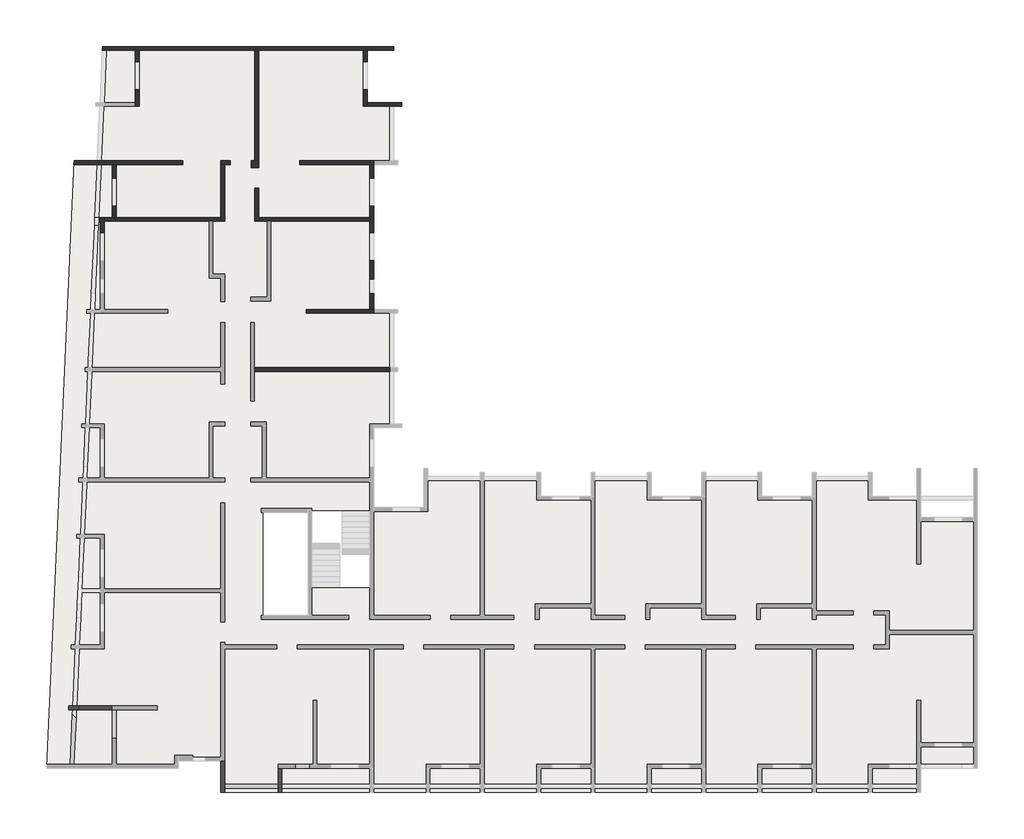
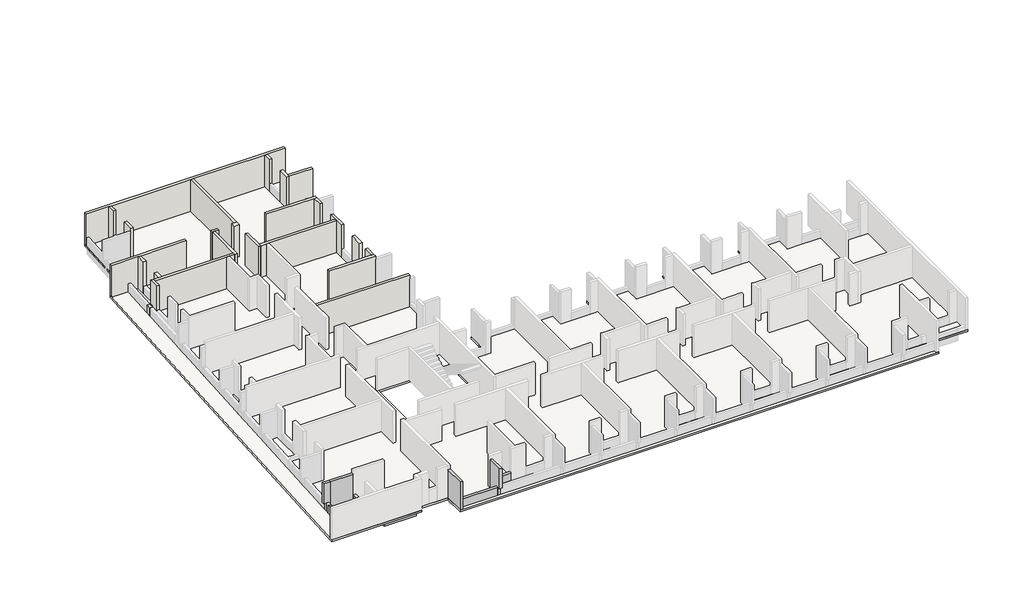
# One storey, part 3 of 5: 26 walls, 10 beams, 1 slab.
"""IFC4 building model written with IfcOpenShell, lengths in millimetres."""

from ifc_helpers import new_model, si_unit, frame, origin, place, context, project, spatial, polyline, outline, extrude, faceted_brep, element, save

model = new_model("IFC4")

# Units and contexts
model_context = context("Model", 3, world=origin())
ifc_project = project(units=[si_unit("LENGTHUNIT", "METRE", prefix="MILLI")], contexts=[model_context])

# Site, building, storey
site = spatial("IfcSite", under=ifc_project)
building = spatial("IfcBuilding", under=site)
storey = spatial("IfcBuildingStorey", under=building, Elevation=4700.0)

# Beams
placement = place(None, origin())
element("IfcBeam", 1, ObjectType="V. 20/60", at=placement, inside=storey, context=model_context, shape_type="SweptSolid", body=[
    extrude(outline(polyline([(-39315.6912908, -18849.1283129), (-39315.6912908, -19049.1283129), (-41735.6912908, -19049.1283129), (-41735.6912908, -18849.1283129), (-39315.6912908, -18849.1283129)])), frame((0.0, 0.0, 4100.0), z_axis=(0.0, 0.0, 1.0), x_axis=(1.0, 0.0, 0.0)), (0.0, 0.0, 1.0), 450.0),
])
element("IfcBeam", 2, ObjectType="V. 20/60", at=placement, inside=storey, context=model_context, shape_type="SweptSolid", body=[
    extrude(outline(polyline([(-44278.6442698, -16920.2688403), (-44136.3632356, -16779.7124198), (-42772.9228023, -18159.7958189), (-42915.2038365, -18300.3522394), (-44278.6442698, -16920.2688403)])), frame((0.0, 0.0, 4100.0), z_axis=(0.0, 0.0, 1.0), x_axis=(1.0, 0.0, 0.0)), (0.0, 0.0, 1.0), 450.0),
])
element("IfcBeam", 3, ObjectType="VI. 20/238", at=placement, inside=storey, context=model_context, shape_type="Brep", body=[
    faceted_brep([(-33785.6912908, -20669.0672499, 6930.0), (-33985.6912908, -20669.0672499, 6930.0), (-33985.6912908, -20669.0672499, 5350.0), (-33785.6912908, -20669.0672499, 5350.0), (-33985.6912908, -19419.0672499, 6930.0), (-33785.6912908, -19419.0672499, 6930.0), (-33785.6912908, -19419.0672499, 4700.0), (-33985.6912908, -19419.0672499, 4700.0), (-33985.6912908, -20249.0672499, 4700.0), (-33985.6912908, -20449.0672499, 4700.0), (-33985.6912908, -20449.0672499, 5350.0), (-33785.6912908, -20449.0672499, 5350.0), (-33785.6912908, -20449.0672499, 4700.0), (-33785.6912908, -20249.0672499, 4700.0)], [[[0, 1, 2, 3]], [[4, 5, 6, 7]], [[1, 4, 7, 8, 9, 10, 2]], [[5, 0, 3, 11, 12, 13, 6]], [[1, 0, 5, 4]], [[7, 6, 13, 12, 9, 8]], [[11, 10, 9, 12]], [[10, 11, 3, 2]]]),
])
element("IfcBeam", 4, ObjectType="VI. 20/238", at=placement, inside=storey, context=model_context, shape_type="Brep", body=[
    faceted_brep([(-36735.6912908, -20669.0672499, 6930.0), (-36935.6912908, -20669.0672499, 6930.0), (-36935.6912908, -20669.0672499, 4700.0), (-36735.6912908, -20669.0672499, 4700.0), (-36935.6912908, -19049.0672499, 6930.0), (-36735.6912908, -19049.0672499, 6930.0), (-36735.6912908, -19049.0672499, 4700.0), (-36935.6912908, -19049.0672499, 4700.0), (-36735.6912908, -20449.0672499, 4700.0), (-36735.6912908, -20249.0672499, 4700.0)], [[[0, 1, 2, 3]], [[4, 5, 6, 7]], [[1, 4, 7, 2]], [[5, 0, 3, 8, 9, 6]], [[1, 0, 5, 4]], [[3, 2, 7, 6, 9, 8]]]),
])
element("IfcBeam", 5, ObjectType="VI. 20/238", at=placement, inside=storey, context=model_context, shape_type="Brep", body=[
    faceted_brep([(-44760.6912908, -16419.0891641, 6930.0), (-44760.6912908, -16219.0891641, 6930.0), (-44760.6912908, -16219.0891641, 5350.0), (-44760.6912908, -16419.0891641, 5350.0), (-44568.8868146, -16419.0891641, 5350.0), (-44568.8868146, -16419.0891641, 4700.0), (-44562.0830718, -16419.0891641, 4700.0), (-44562.0830718, -16419.0891641, 5350.0), (-44361.8773801, -16419.0891641, 5350.0), (-44361.8773801, -16419.0891641, 4700.0), (-44261.7745342, -16419.0891641, 4700.0), (-44261.7745342, -16419.0891641, 6930.0), (-44252.7015518, -16219.0891641, 6930.0), (-44252.7015518, -16219.0891641, 4700.0), (-44352.8043976, -16219.0891641, 4700.0), (-44352.8043976, -16219.0891641, 5350.0), (-44553.0100894, -16219.0891641, 5350.0), (-44553.0100894, -16219.0891641, 4700.0), (-44568.8868146, -16219.0891641, 4700.0), (-44568.8868146, -16219.0891641, 5350.0)], [[[0, 1, 2, 3]], [[0, 3, 4, 5, 6, 7, 8, 9, 10, 11]], [[2, 1, 12, 13, 14, 15, 16, 17, 18, 19]], [[1, 0, 11, 12]], [[13, 10, 9, 14]], [[16, 7, 6, 17]], [[8, 15, 14, 9]], [[7, 16, 15, 8]], [[5, 18, 17, 6]], [[4, 19, 18, 5]], [[19, 4, 3, 2]], [[12, 11, 10, 13]]]),
])
element("IfcBeam", 6, ObjectType="VI. 20/238", at=placement, inside=storey, context=model_context, shape_type="SweptSolid", body=[
    extrude(outline(polyline([(-42525.6912908, -16219.0891641), (-42525.6912908, -16419.0891641), (-44261.7745342, -16419.0891641), (-44252.7015518, -16219.0891641), (-42525.6912908, -16219.0891641)])), frame((0.0, 0.0, 4700.0), z_axis=(0.0, 0.0, 1.0), x_axis=(1.0, 0.0, 0.0)), (0.0, 0.0, 1.0), 2230.0),
])
element("IfcBeam", 7, ObjectType="VI. 20/75", at=placement, inside=storey, context=model_context, shape_type="Brep", body=[
    faceted_brep([(-42325.6912908, -17889.0672499, 5300.0), (-42525.6912908, -17889.0672499, 5300.0), (-42525.6912908, -17889.0672499, 4700.0), (-42325.6912908, -17889.0672499, 4700.0), (-42325.6912908, -16419.0672499, 4700.0), (-42325.6912908, -16419.0672499, 5300.0), (-42525.6912908, -16419.0672499, 5300.0), (-42525.6912908, -16419.0672499, 4700.0), (-42525.6912908, -16469.0672499, 4700.0)], [[[0, 1, 2, 3]], [[0, 3, 4, 5]], [[2, 1, 6, 7, 8]], [[1, 0, 5, 6]], [[3, 2, 8, 7, 4]], [[5, 4, 7, 6]]]),
])
element("IfcBeam", 8, ObjectType="VI. 20/75", at=placement, inside=storey, context=model_context, shape_type="SweptSolid", body=[
    extrude(outline(polyline([(-32365.6912908, -19219.0672499), (-32365.6912908, -19419.0672499), (-33105.6912908, -19419.0672499), (-33105.6912908, -19219.0672499), (-32365.6912908, -19219.0672499)])), frame((0.0, 0.0, 4700.0), z_axis=(0.0, 0.0, 1.0), x_axis=(1.0, 0.0, 0.0)), (0.0, 0.0, 1.0), 600.0),
])
element("IfcBeam", 9, ObjectType="VI. 20/80", at=placement, inside=storey, context=model_context, shape_type="SweptSolid", body=[
    extrude(outline(polyline([(-33985.6912908, -20249.0672499), (-33985.6912908, -20449.0672499), (-36735.6912908, -20449.0672499), (-36735.6912908, -20249.0672499), (-33985.6912908, -20249.0672499)])), frame((0.0, 0.0, 4700.0), z_axis=(0.0, 0.0, 1.0), x_axis=(1.0, 0.0, 0.0)), (0.0, 0.0, 1.0), 650.0),
])
element("IfcBeam", 10, ObjectType="VI. 20/80", at=placement, inside=storey, context=model_context, shape_type="SweptSolid", body=[
    extrude(outline(polyline([(-44488.8981404, -19219.0672499), (-44689.1038321, -19219.0672499), (-44571.3763566, -16623.9453904), (-44379.9607628, -16817.709635), (-44488.8981404, -19219.0672499)])), frame((0.0, 0.0, 4700.0), z_axis=(0.0, 0.0, 1.0), x_axis=(1.0, 0.0, 0.0)), (0.0, 0.0, 1.0), 650.0),
])

# Slab
element("IfcSlab", 11, ObjectType="LHA15", at=placement, inside=storey, context=model_context, shape_type="Brep", body=[
    faceted_brep([(1994.3087092, -19419.0672499, 4550.0), (1994.3087092, -19419.0672499, 4700.0), (1214.3087092, -19419.0672499, 4700.0), (-725.6912908, -19419.0672499, 4700.0), (-925.6912908, -19419.0672499, 4700.0), (-925.6912908, -19419.0672499, 4550.0), (-725.6912908, -19419.0672499, 4550.0), (1214.3087092, -19419.0672499, 4550.0), (-36935.6912908, -20669.0672499, 4550.0), (-36935.6912908, -20669.0672499, 4700.0), (-36935.6912908, -19049.0672499, 4700.0), (-36935.6912908, -19049.0672499, 4550.0), (-39115.6912908, -19049.0672499, 4700.0), (-39115.6912908, -19049.0672499, 4550.0), (-39115.6912908, -19419.0672499, 4700.0), (-39115.6912908, -19419.0672499, 4550.0), (-45899.4109651, -19419.0672499, 4700.0), (-45899.4109651, -19419.0672499, 4550.0), (-43012.8703227, 17730.9327501, 4550.0), (-43012.8703227, 17730.9327501, 4700.0), (-29395.6912908, 17730.9327501, 4700.0), (-29395.6912908, 17730.9327501, 4550.0), (-29395.6912908, 16950.9327501, 4700.0), (-29395.6912908, 15510.9327501, 4700.0), (-29395.6912908, 14850.8982988, 4700.0), (-29395.6912908, 14850.8982988, 4550.0), (-27635.6912908, 14850.8982988, 4700.0), (-27635.6912908, 14850.8982988, 4550.0), (-28035.6912908, 14650.9327501, 4550.0), (-28035.6912908, 14650.9327501, 4700.0), (-28035.6912908, 11850.9327501, 4700.0), (-28035.6912908, 11850.9327501, 4550.0), (-27835.6912908, 11650.9327501, 4550.0), (-27835.6912908, 11650.9327501, 4700.0), (-29065.6912908, 11650.9327501, 4700.0), (-29065.6912908, 11650.9327501, 4550.0), (-29065.6912908, 10925.9327501, 4700.0), (-29065.6912908, 9535.9327501, 4700.0), (-29065.6912908, 8150.9327501, 4700.0), (-29065.6912908, 6710.9327501, 4700.0), (-29065.6912908, 5760.9327501, 4700.0), (-29065.6912908, 5020.9327501, 4700.0), (-29065.6912908, 4200.9327501, 4700.0), (-29065.6912908, 4200.9327501, 4550.0), (-27835.6912908, 4200.9327501, 4700.0), (-27835.6912908, 4200.9327501, 4550.0), (-28035.6912908, 1000.9327501, 4550.0), (-28035.6912908, 1000.9327501, 4700.0), (-28035.6912908, -1689.5482142, 4700.0), (-28035.6912908, -1689.5482142, 4550.0), (-29065.6912908, -1889.5482142, 4550.0), (-29065.6912908, -1889.5482142, 4700.0), (-29065.6912908, -2469.0672499, 4700.0), (-29065.6912908, -3909.0672499, 4700.0), (-29065.6912908, -6004.0672499, 4700.0), (-29065.6912908, -6004.0672499, 4550.0), (-28115.6912908, -6004.0672499, 4700.0), (-26675.6912908, -6004.0672499, 4700.0), (-26495.6912908, -6004.0672499, 4700.0), (-26495.6912908, -6004.0672499, 4550.0), (-26495.6912908, -3999.0672499, 4700.0), (-26495.6912908, -3999.0672499, 4550.0), (-26295.6912908, -4399.0672499, 4550.0), (-26295.6912908, -4399.0672499, 4700.0), (-23575.6912908, -4399.0672499, 4700.0), (-23575.6912908, -4399.0672499, 4550.0), (-20485.6912908, -4199.0672499, 4550.0), (-20485.6912908, -4199.0672499, 4700.0), (-20485.6912908, -5419.0672499, 4700.0), (-20485.6912908, -5419.0672499, 4550.0), (-19905.6912908, -5419.0672499, 4700.0), (-18465.6912908, -5419.0672499, 4700.0), (-17885.6912908, -5419.0672499, 4700.0), (-17885.6912908, -5419.0672499, 4550.0), (-17885.6912908, -4199.0672499, 4700.0), (-17885.6912908, -4199.0672499, 4550.0), (-17685.6912908, -4399.0672499, 4550.0), (-17685.6912908, -4399.0672499, 4700.0), (-14995.6912908, -4399.0672499, 4700.0), (-14995.6912908, -4399.0672499, 4550.0), (-14795.6912908, -4199.0672499, 4550.0), (-14795.6912908, -4199.0672499, 4700.0), (-14795.6912908, -5419.0672499, 4700.0), (-14795.6912908, -5419.0672499, 4550.0), (-14215.6912908, -5419.0672499, 4700.0), (-12775.6912908, -5419.0672499, 4700.0), (-12195.6912908, -5419.0672499, 4700.0), (-12195.6912908, -5419.0672499, 4550.0), (-12195.6912908, -4199.0672499, 4700.0), (-12195.6912908, -4199.0672499, 4550.0), (-11995.6912908, -4399.0672499, 4550.0), (-11995.6912908, -4399.0672499, 4700.0), (-9305.6912908, -4399.0672499, 4700.0), (-9305.6912908, -4399.0672499, 4550.0), (-9105.6912908, -4199.0672499, 4550.0), (-9105.6912908, -4199.0672499, 4700.0), (-9105.6912908, -5419.0672499, 4700.0), (-9105.6912908, -5419.0672499, 4550.0), (-8525.6912908, -5419.0672499, 4700.0), (-7085.6912908, -5419.0672499, 4700.0), (-6505.6912908, -5419.0672499, 4700.0), (-6505.6912908, -5419.0672499, 4550.0), (-6505.6912908, -4199.0672499, 4700.0), (-6505.6912908, -4199.0672499, 4550.0), (-6305.6912908, -4399.0672499, 4550.0), (-6305.6912908, -4399.0672499, 4700.0), (-3615.6912908, -4399.0672499, 4700.0), (-3615.6912908, -4399.0672499, 4550.0), (-3415.6912908, -4199.0672499, 4550.0), (-3415.6912908, -4199.0672499, 4700.0), (-3415.6912908, -5419.0672499, 4700.0), (-3415.6912908, -5419.0672499, 4550.0), (-2545.6912908, -5419.0672499, 4700.0), (-1125.6912908, -5419.0672499, 4700.0), (-925.6912908, -5419.0672499, 4700.0), (-925.6912908, -5419.0672499, 4550.0), (-925.6912908, -6519.0672499, 4700.0), (-925.6912908, -6519.0672499, 4550.0), (-925.6912908, -5619.0672499, 4550.0), (-200.6912908, -6519.0672499, 4700.0), (1189.3087092, -6519.0672499, 4700.0), (1994.3087092, -6519.0672499, 4700.0), (1994.3087092, -6519.0672499, 4550.0), (-32245.6912908, -10104.0672499, 4550.0), (-32245.6912908, -10104.0672499, 4700.0), (-29265.6912908, -10104.0672499, 4700.0), (-29265.6912908, -10104.0672499, 4550.0), (-29265.6912908, -6184.0672499, 4700.0), (-29265.6912908, -6184.0672499, 4550.0), (-32245.6912908, -6184.0672499, 4700.0), (-32245.6912908, -6184.0672499, 4550.0), (-32245.6912908, -6244.0672499, 4700.0), (-32245.6912908, -6244.0672499, 4550.0), (-34745.6912908, -6244.0672499, 4700.0), (-34745.6912908, -6244.0672499, 4550.0), (-34745.6912908, -11559.0672499, 4700.0), (-34745.6912908, -11559.0672499, 4550.0), (-32245.6912908, -11559.0672499, 4700.0), (-32245.6912908, -11559.0672499, 4550.0), (-27635.6912908, -1889.5482142, 4550.0), (-27635.6912908, -1889.5482142, 4700.0), (-3615.6912908, -4199.0672499, 4700.0), (-6305.6912908, -4199.0672499, 4700.0), (-9305.6912908, -4199.0672499, 4700.0), (-11995.6912908, -4199.0672499, 4700.0), (-14995.6912908, -4199.0672499, 4700.0), (-17685.6912908, -4199.0672499, 4700.0), (-20685.6912908, -4199.0672499, 4700.0), (-20685.6912908, -4399.0672499, 4700.0), (-23375.6912908, -4399.0672499, 4700.0), (-23375.6912908, -4199.0672499, 4700.0), (-23575.6912908, -4199.0672499, 4700.0), (-26295.6912908, -3999.0672499, 4700.0), (-27635.6912908, -1689.5482142, 4700.0), (-27835.6912908, 1000.9327501, 4700.0), (-27835.6912908, 1200.9327501, 4700.0), (-28035.6912908, 1200.9327501, 4700.0), (-28035.6912908, 4000.9327501, 4700.0), (-27835.6912908, 4000.9327501, 4700.0), (-27835.6912908, 11850.9327501, 4700.0), (-27635.6912908, 14650.9327501, 4700.0), (-43021.9433052, 17530.9327501, 4700.0), (-43143.5212701, 14850.9327501, 4700.0), (-43152.5942526, 14650.9327501, 4700.0), (-43279.616007, 11850.9327501, 4700.0), (-44480.8501575, 11850.9327501, 4700.0), (-36735.6912908, -20669.0672499, 4700.0), (-925.6912908, -20669.0672499, 4700.0), (-925.6912908, -20669.0672499, 4550.0), (-44480.8501575, 11850.9327501, 4550.0), (-43279.616007, 11850.9327501, 4550.0), (-43277.3477614, 11900.9327501, 4550.0), (-43152.5942526, 14650.9327501, 4550.0), (-43143.5212701, 14850.9327501, 4550.0), (-43026.4797964, 17430.9327501, 4550.0), (-27635.6912908, 14650.9327501, 4550.0), (-27835.6912908, 11850.9327501, 4550.0), (-27835.6912908, 4000.9327501, 4550.0), (-28035.6912908, 4000.9327501, 4550.0), (-28035.6912908, 1200.9327501, 4550.0), (-27835.6912908, 1200.9327501, 4550.0), (-27835.6912908, 1000.9327501, 4550.0), (-27635.6912908, -1689.5482142, 4550.0), (-26295.6912908, -3999.0672499, 4550.0), (-23575.6912908, -4199.0672499, 4550.0), (-23375.6912908, -4199.0672499, 4550.0), (-23375.6912908, -4399.0672499, 4550.0), (-20685.6912908, -4399.0672499, 4550.0), (-20685.6912908, -4199.0672499, 4550.0), (-17685.6912908, -4199.0672499, 4550.0), (-14995.6912908, -4199.0672499, 4550.0), (-11995.6912908, -4199.0672499, 4550.0), (-9305.6912908, -4199.0672499, 4550.0), (-6305.6912908, -4199.0672499, 4550.0), (-3615.6912908, -4199.0672499, 4550.0)], [[[0, 1, 2, 3, 4, 5, 6, 7]], [[8, 9, 10, 11]], [[11, 10, 12, 13]], [[13, 12, 14, 15]], [[15, 14, 16, 17]], [[18, 19, 20, 21]], [[21, 20, 22, 23, 24, 25]], [[25, 24, 26, 27]], [[28, 29, 30, 31]], [[32, 33, 34, 35]], [[35, 34, 36, 37, 38, 39, 40, 41, 42, 43]], [[43, 42, 44, 45]], [[46, 47, 48, 49]], [[50, 51, 52, 53, 54, 55]], [[55, 54, 56, 57, 58, 59]], [[59, 58, 60, 61]], [[62, 63, 64, 65]], [[66, 67, 68, 69]], [[69, 68, 70, 71, 72, 73]], [[73, 72, 74, 75]], [[76, 77, 78, 79]], [[80, 81, 82, 83]], [[83, 82, 84, 85, 86, 87]], [[87, 86, 88, 89]], [[90, 91, 92, 93]], [[94, 95, 96, 97]], [[97, 96, 98, 99, 100, 101]], [[101, 100, 102, 103]], [[104, 105, 106, 107]], [[108, 109, 110, 111]], [[111, 110, 112, 113, 114, 115]], [[115, 114, 116, 117, 118]], [[117, 116, 119, 120, 121, 122]], [[122, 121, 1, 0]], [[123, 124, 125, 126]], [[126, 125, 127, 128]], [[128, 127, 129, 130]], [[130, 129, 131, 132]], [[132, 131, 133, 134]], [[134, 133, 135, 136]], [[136, 135, 137, 138]], [[138, 137, 124, 123]], [[139, 140, 51, 50]], [[121, 120, 119, 116, 114, 113, 112, 110, 109, 141, 106, 105, 142, 102, 100, 99, 98, 96, 95, 143, 92, 91, 144, 88, 86, 85, 84, 82, 81, 145, 78, 77, 146, 74, 72, 71, 70, 68, 67, 147, 148, 149, 150, 151, 64, 63, 152, 60, 58, 57, 56, 54, 53, 52, 51, 140, 153, 48, 47, 154, 155, 156, 157, 158, 44, 42, 41, 40, 39, 38, 37, 36, 34, 33, 159, 30, 29, 160, 26, 24, 23, 22, 20, 19, 161, 162, 163, 164, 165, 16, 14, 12, 10, 9, 166, 167, 4, 3, 2, 1], [135, 133, 131, 129, 127, 125, 124, 137]], [[122, 0, 7, 6, 5, 168, 8, 11, 13, 15, 17, 169, 170, 171, 172, 173, 174, 18, 21, 25, 27, 175, 28, 31, 176, 32, 35, 43, 45, 177, 178, 179, 180, 181, 46, 49, 182, 139, 50, 55, 59, 61, 183, 62, 65, 184, 185, 186, 187, 188, 66, 69, 73, 75, 189, 76, 79, 190, 80, 83, 87, 89, 191, 90, 93, 192, 94, 97, 101, 103, 193, 104, 107, 194, 108, 111, 115, 118, 117], [136, 138, 123, 126, 128, 130, 132, 134]], [[17, 16, 165, 169]], [[169, 165, 164, 170]], [[170, 164, 163, 162, 161, 19, 18, 174, 173, 172, 171]], [[5, 4, 167, 168]], [[168, 167, 166, 9, 8]], [[27, 26, 160, 175]], [[175, 160, 29, 28]], [[31, 30, 159, 176]], [[176, 159, 33, 32]], [[45, 44, 158, 177]], [[177, 158, 157, 178]], [[178, 157, 156, 179]], [[179, 156, 155, 180]], [[180, 155, 154, 181]], [[181, 154, 47, 46]], [[49, 48, 153, 182]], [[182, 153, 140, 139]], [[61, 60, 152, 183]], [[183, 152, 63, 62]], [[65, 64, 151, 184]], [[184, 151, 150, 185]], [[185, 150, 149, 186]], [[186, 149, 148, 187]], [[187, 148, 147, 188]], [[188, 147, 67, 66]], [[75, 74, 146, 189]], [[189, 146, 77, 76]], [[79, 78, 145, 190]], [[190, 145, 81, 80]], [[89, 88, 144, 191]], [[191, 144, 91, 90]], [[93, 92, 143, 192]], [[192, 143, 95, 94]], [[103, 102, 142, 193]], [[193, 142, 105, 104]], [[107, 106, 141, 194]], [[194, 141, 109, 108]]]),
])

# Walls
element("IfcWall", 12, ObjectType="MHA20", at=placement, inside=storey, context=model_context, shape_type="Brep", body=[
    faceted_brep([(-29395.6912908, 16950.9327501, 4700.0), (-29395.6912908, 17530.9327501, 4700.0), (-29395.6912908, 17530.9327501, 7230.0), (-29395.6912908, 16950.9327501, 7230.0), (-29395.6912908, 16950.9327501, 5300.0), (-29595.6912908, 16950.9327501, 4700.0), (-29595.6912908, 16950.9327501, 5300.0), (-29595.6912908, 16950.9327501, 7230.0), (-29595.6912908, 17530.9327501, 7230.0), (-29595.6912908, 17530.9327501, 4700.0)], [[[0, 1, 2, 3, 4]], [[5, 6, 7, 8, 9]], [[1, 0, 5, 9]], [[3, 2, 8, 7]], [[0, 4, 3, 7, 6, 5]], [[2, 1, 9, 8]]]),
])
element("IfcWall", 13, ObjectType="MHA20", at=placement, inside=storey, context=model_context, shape_type="Brep", body=[
    faceted_brep([(-35205.6912908, 1000.9327501, 4700.0), (-28235.6912908, 1000.9327501, 4700.0), (-28235.6912908, 1000.9327501, 6930.0), (-28235.6912908, 1000.9327501, 7230.0), (-35205.6912908, 1000.9327501, 7230.0), (-35205.6912908, 1200.9327501, 4700.0), (-35205.6912908, 1200.9327501, 7230.0), (-28235.6912908, 1200.9327501, 7230.0), (-28235.6912908, 1200.9327501, 6930.0), (-28235.6912908, 1200.9327501, 4700.0)], [[[0, 1, 2, 3, 4]], [[5, 6, 7, 8, 9]], [[1, 0, 5, 9]], [[3, 2, 1, 9, 8, 7]], [[4, 3, 7, 6]], [[0, 4, 6, 5]]]),
])
element("IfcWall", 14, ObjectType="MHA20", at=placement, inside=storey, context=model_context, shape_type="Brep", body=[
    faceted_brep([(-29065.6912908, 4200.9327501, 4700.0), (-29065.6912908, 5020.9327501, 4700.0), (-29065.6912908, 5020.9327501, 5300.0), (-29065.6912908, 5020.9327501, 7230.0), (-29065.6912908, 4200.9327501, 7230.0), (-29265.6912908, 4200.9327501, 4700.0), (-29265.6912908, 4200.9327501, 7230.0), (-29265.6912908, 5020.9327501, 7230.0), (-29265.6912908, 5020.9327501, 5300.0), (-29265.6912908, 5020.9327501, 4700.0)], [[[0, 1, 2, 3, 4]], [[5, 6, 7, 8, 9]], [[1, 0, 5, 9]], [[3, 2, 1, 9, 8, 7]], [[4, 3, 7, 6]], [[0, 4, 6, 5]]]),
])
element("IfcWall", 15, ObjectType="MHA20", at=placement, inside=storey, context=model_context, shape_type="Brep", body=[
    faceted_brep([(-29065.6912908, 5760.9327501, 4700.0), (-29065.6912908, 6710.9327501, 4700.0), (-29065.6912908, 6710.9327501, 5300.0), (-29065.6912908, 6710.9327501, 7230.0), (-29065.6912908, 5760.9327501, 7230.0), (-29065.6912908, 5760.9327501, 5300.0), (-29265.6912908, 5760.9327501, 4700.0), (-29265.6912908, 5760.9327501, 5300.0), (-29265.6912908, 5760.9327501, 7230.0), (-29265.6912908, 6710.9327501, 7230.0), (-29265.6912908, 6710.9327501, 5300.0), (-29265.6912908, 6710.9327501, 4700.0)], [[[0, 1, 2, 3, 4, 5]], [[6, 7, 8, 9, 10, 11]], [[1, 0, 6, 11]], [[3, 2, 1, 11, 10, 9]], [[4, 3, 9, 8]], [[0, 5, 4, 8, 7, 6]]]),
])
element("IfcWall", 16, ObjectType="MHA20", at=placement, inside=storey, context=model_context, shape_type="Brep", body=[
    faceted_brep([(-29065.6912908, 8150.9327501, 4700.0), (-29065.6912908, 9510.9327501, 4700.0), (-29065.6912908, 9510.9327501, 7230.0), (-29065.6912908, 8150.9327501, 7230.0), (-29065.6912908, 8150.9327501, 5300.0), (-29265.6912908, 8150.9327501, 4700.0), (-29265.6912908, 8150.9327501, 5300.0), (-29265.6912908, 8150.9327501, 7230.0), (-29265.6912908, 8730.9327501, 7230.0), (-29265.6912908, 8930.9327501, 7230.0), (-29265.6912908, 9510.9327501, 7230.0), (-29265.6912908, 9510.9327501, 4700.0), (-29265.6912908, 8930.9327501, 4700.0), (-29265.6912908, 8730.9327501, 4700.0)], [[[0, 1, 2, 3, 4]], [[5, 6, 7, 8, 9, 10, 11, 12, 13]], [[1, 0, 5, 13, 12, 11]], [[2, 1, 11, 10]], [[3, 2, 10, 9, 8, 7]], [[0, 4, 3, 7, 6, 5]]]),
])
element("IfcWall", 17, ObjectType="MHA20", at=placement, inside=storey, context=model_context, shape_type="SweptSolid", body=[
    extrude(outline(polyline([(-29065.6912908, 11650.9327501), (-29065.6912908, 10950.9327501), (-29265.6912908, 10950.9327501), (-29265.6912908, 11650.9327501), (-29065.6912908, 11650.9327501)])), frame((0.0, 0.0, 4700.0), z_axis=(0.0, 0.0, 1.0), x_axis=(1.0, 0.0, 0.0)), (0.0, 0.0, 1.0), 2530.0),
])
element("IfcWall", 18, ObjectType="MHA20", at=placement, inside=storey, context=model_context, shape_type="Brep", body=[
    faceted_brep([(-29595.6912908, 15510.9327501, 4700.0), (-29595.6912908, 14650.9327501, 4700.0), (-29595.6912908, 14650.9327501, 7230.0), (-29595.6912908, 15510.9327501, 7230.0), (-29595.6912908, 15510.9327501, 5300.0), (-29395.6912908, 15510.9327501, 4700.0), (-29395.6912908, 15510.9327501, 5300.0), (-29395.6912908, 15510.9327501, 7230.0), (-29395.6912908, 14850.9327501, 7230.0), (-29395.6912908, 14650.9327501, 7230.0), (-29395.6912908, 14650.9327501, 4700.0), (-29395.6912908, 14850.9327501, 4700.0)], [[[0, 1, 2, 3, 4]], [[5, 6, 7, 8, 9, 10, 11]], [[1, 0, 5, 11, 10]], [[3, 2, 9, 8, 7]], [[0, 4, 3, 7, 6, 5]], [[2, 1, 10, 9]]]),
])
element("IfcWall", 19, ObjectType="MHA20", at=placement, inside=storey, context=model_context, shape_type="SweptSolid", body=[
    extrude(outline(polyline([(-35175.6912908, 11850.9327501), (-35175.6912908, 17530.9327501), (-34975.6912908, 17530.9327501), (-34975.6912908, 11850.9327501), (-35175.6912908, 11850.9327501)])), frame((0.0, 0.0, 4700.0), z_axis=(0.0, 0.0, 1.0), x_axis=(1.0, 0.0, 0.0)), (0.0, 0.0, 1.0), 2530.0),
])
element("IfcWall", 20, ObjectType="MHA20", at=placement, inside=storey, context=model_context, shape_type="Brep", body=[
    faceted_brep([(-35175.6912908, 10430.9327501, 4700.0), (-35175.6912908, 8730.9327501, 4700.0), (-35175.6912908, 8730.9327501, 7230.0), (-35175.6912908, 10430.9327501, 7230.0), (-34975.6912908, 10430.9327501, 4700.0), (-34975.6912908, 10430.9327501, 7230.0), (-34975.6912908, 8930.9327501, 7230.0), (-34975.6912908, 8730.9327501, 7230.0), (-34975.6912908, 8730.9327501, 4700.0), (-34975.6912908, 8930.9327501, 4700.0)], [[[0, 1, 2, 3]], [[4, 5, 6, 7, 8, 9]], [[1, 0, 4, 9, 8]], [[3, 2, 7, 6, 5]], [[0, 3, 5, 4]], [[2, 1, 8, 7]]]),
])
element("IfcWall", 21, ObjectType="MHA20", at=placement, inside=storey, context=model_context, shape_type="Brep", body=[
    faceted_brep([(-41135.6912908, 14650.9327501, 4700.0), (-41135.6912908, 15510.9327501, 4700.0), (-41135.6912908, 15510.9327501, 5300.0), (-41135.6912908, 15510.9327501, 7230.0), (-41135.6912908, 14650.9327501, 7230.0), (-41335.6912908, 14650.9327501, 4700.0), (-41335.6912908, 14650.9327501, 6930.0), (-41335.6912908, 14650.9327501, 7230.0), (-41335.6912908, 15510.9327501, 7230.0), (-41335.6912908, 15510.9327501, 5300.0), (-41335.6912908, 15510.9327501, 4700.0), (-41335.6912908, 14850.9327501, 4700.0)], [[[0, 1, 2, 3, 4]], [[5, 6, 7, 8, 9, 10, 11]], [[1, 0, 5, 11, 10]], [[3, 2, 1, 10, 9, 8]], [[4, 3, 8, 7]], [[0, 4, 7, 6, 5]]]),
])
element("IfcWall", 22, ObjectType="MHA20", at=placement, inside=storey, context=model_context, shape_type="Brep", body=[
    faceted_brep([(-41135.6912908, 16950.9327501, 4700.0), (-41135.6912908, 17530.9327501, 4700.0), (-41135.6912908, 17530.9327501, 7230.0), (-41135.6912908, 16950.9327501, 7230.0), (-41135.6912908, 16950.9327501, 5300.0), (-41335.6912908, 16950.9327501, 4700.0), (-41335.6912908, 16950.9327501, 5300.0), (-41335.6912908, 16950.9327501, 7230.0), (-41335.6912908, 17530.9327501, 7230.0), (-41335.6912908, 17530.9327501, 4700.0)], [[[0, 1, 2, 3, 4]], [[5, 6, 7, 8, 9]], [[1, 0, 5, 9]], [[3, 2, 8, 7]], [[0, 4, 3, 7, 6, 5]], [[2, 1, 9, 8]]]),
])
element("IfcWall", 23, ObjectType="MHA20", at=placement, inside=storey, context=model_context, shape_type="Brep", body=[
    faceted_brep([(-36735.6912908, 8730.9327501, 4700.0), (-36735.6912908, 11650.9327501, 4700.0), (-36735.6912908, 11650.9327501, 7230.0), (-36735.6912908, 8730.9327501, 7230.0), (-36935.6912908, 8730.9327501, 4700.0), (-36935.6912908, 8730.9327501, 7230.0), (-36935.6912908, 8930.9327501, 7230.0), (-36935.6912908, 11650.9327501, 7230.0), (-36935.6912908, 11650.9327501, 4700.0), (-36935.6912908, 8930.9327501, 4700.0)], [[[0, 1, 2, 3]], [[4, 5, 6, 7, 8, 9]], [[1, 0, 4, 9, 8]], [[3, 2, 7, 6, 5]], [[0, 3, 5, 4]], [[2, 1, 8, 7]]]),
])
element("IfcWall", 24, ObjectType="MHA20", at=placement, inside=storey, context=model_context, shape_type="Brep", body=[
    faceted_brep([(-36935.6912908, 8930.9327501, 4700.0), (-42325.6912908, 8930.9327501, 4700.0), (-42525.6912908, 8930.9327501, 4700.0), (-42935.6912908, 8930.9327501, 4700.0), (-42935.6912908, 8930.9327501, 5350.0), (-42935.6912908, 8930.9327501, 7230.0), (-42525.6912908, 8930.9327501, 7230.0), (-42325.6912908, 8930.9327501, 7230.0), (-36935.6912908, 8930.9327501, 7230.0), (-36935.6912908, 8730.9327501, 4700.0), (-36935.6912908, 8730.9327501, 7230.0), (-37335.6912908, 8730.9327501, 7230.0), (-37535.6912908, 8730.9327501, 7230.0), (-42935.6912908, 8730.9327501, 7230.0), (-42935.6912908, 8730.9327501, 5350.0), (-42935.6912908, 8730.9327501, 4700.0), (-37535.6912908, 8730.9327501, 4700.0), (-37335.6912908, 8730.9327501, 4700.0)], [[[0, 1, 2, 3, 4, 5, 6, 7, 8]], [[9, 10, 11, 12, 13, 14, 15, 16, 17]], [[3, 2, 1, 0, 9, 17, 16, 15]], [[8, 7, 6, 5, 13, 12, 11, 10]], [[0, 8, 10, 9]], [[5, 4, 3, 15, 14, 13]]]),
])
element("IfcWall", 25, ObjectType="MHA20", at=placement, inside=storey, context=model_context, shape_type="Brep", body=[
    faceted_brep([(-42325.6912908, 8930.9327501, 4700.0), (-42325.6912908, 9510.9327501, 4700.0), (-42325.6912908, 9510.9327501, 5300.0), (-42325.6912908, 9510.9327501, 7230.0), (-42325.6912908, 8930.9327501, 7230.0), (-42525.6912908, 8930.9327501, 4700.0), (-42525.6912908, 8930.9327501, 7230.0), (-42525.6912908, 9510.9327501, 7230.0), (-42525.6912908, 9510.9327501, 5300.0), (-42525.6912908, 9510.9327501, 4700.0)], [[[0, 1, 2, 3, 4]], [[5, 6, 7, 8, 9]], [[1, 0, 5, 9]], [[3, 2, 1, 9, 8, 7]], [[4, 3, 7, 6]], [[0, 4, 6, 5]]]),
])
element("IfcWall", 26, ObjectType="MHA20", at=placement, inside=storey, context=model_context, shape_type="Brep", body=[
    faceted_brep([(-42325.6912908, 10950.9327501, 4700.0), (-42325.6912908, 11650.9327501, 4700.0), (-42325.6912908, 11650.9327501, 7230.0), (-42325.6912908, 10950.9327501, 7230.0), (-42325.6912908, 10950.9327501, 5300.0), (-42525.6912908, 10950.9327501, 4700.0), (-42525.6912908, 10950.9327501, 5300.0), (-42525.6912908, 10950.9327501, 7230.0), (-42525.6912908, 11650.9327501, 7230.0), (-42525.6912908, 11650.9327501, 4700.0)], [[[0, 1, 2, 3, 4]], [[5, 6, 7, 8, 9]], [[1, 0, 5, 9]], [[3, 2, 8, 7]], [[0, 4, 3, 7, 6, 5]], [[2, 1, 9, 8]]]),
])
element("IfcWall", 27, ObjectType="MHA20", at=placement, inside=storey, context=model_context, shape_type="Brep", body=[
    faceted_brep([(-42935.6912908, 8150.9327501, 4700.0), (-42935.6912908, 8730.9327501, 4700.0), (-42935.6912908, 8730.9327501, 5350.0), (-42935.6912908, 8930.9327501, 5350.0), (-42935.6912908, 8930.9327501, 7230.0), (-42935.6912908, 8730.9327501, 7230.0), (-42935.6912908, 8150.9327501, 7230.0), (-42935.6912908, 8150.9327501, 5300.0), (-43135.6912908, 8150.9327501, 4700.0), (-43135.6912908, 8150.9327501, 5300.0), (-43135.6912908, 8150.9327501, 7230.0), (-43135.6912908, 8930.9327501, 7230.0), (-43135.6912908, 8930.9327501, 5350.0), (-43135.6912908, 8730.9327501, 5350.0), (-43135.6912908, 8730.9327501, 4700.0)], [[[0, 1, 2, 3, 4, 5, 6, 7]], [[8, 9, 10, 11, 12, 13, 14]], [[1, 0, 8, 14]], [[6, 5, 4, 11, 10]], [[0, 7, 6, 10, 9, 8]], [[12, 3, 2, 13]], [[2, 1, 14, 13]], [[4, 3, 12, 11]]]),
])
element("IfcWall", 28, ObjectType="MHA20", at=placement, inside=storey, context=model_context, shape_type="Brep", body=[
    faceted_brep([(-38895.6912908, 11850.9327501, 7230.0), (-38895.6912908, 11850.9327501, 4700.0), (-43079.4103153, 11850.9327501, 4700.0), (-43279.616007, 11850.9327501, 4700.0), (-44480.8501575, 11850.9327501, 4700.0), (-44480.8501575, 11850.9327501, 7230.0), (-38895.6912908, 11650.9327501, 4700.0), (-38895.6912908, 11650.9327501, 7230.0), (-42325.6912908, 11650.9327501, 7230.0), (-42525.6912908, 11650.9327501, 7230.0), (-44489.92314, 11650.9327501, 7230.0), (-44489.92314, 11650.9327501, 4700.0), (-43288.6889895, 11650.9327501, 4700.0), (-43088.4832977, 11650.9327501, 4700.0), (-42525.6912908, 11650.9327501, 4700.0), (-42325.6912908, 11650.9327501, 4700.0)], [[[0, 1, 2, 3, 4, 5]], [[6, 7, 8, 9, 10, 11, 12, 13, 14, 15]], [[1, 6, 15, 14, 13, 12, 11, 4, 3, 2]], [[7, 0, 5, 10, 9, 8]], [[1, 0, 7, 6]], [[5, 4, 11, 10]]]),
])
element("IfcWall", 29, ObjectType="MHA20", at=placement, inside=storey, context=model_context, shape_type="Brep", body=[
    faceted_brep([(-36435.6912908, 11850.9327501, 4700.0), (-36935.6912908, 11850.9327501, 4700.0), (-36935.6912908, 11850.9327501, 7230.0), (-36435.6912908, 11850.9327501, 7230.0), (-36435.6912908, 11650.9327501, 4700.0), (-36435.6912908, 11650.9327501, 7230.0), (-36735.6912908, 11650.9327501, 7230.0), (-36935.6912908, 11650.9327501, 7230.0), (-36935.6912908, 11650.9327501, 4700.0), (-36735.6912908, 11650.9327501, 4700.0)], [[[0, 1, 2, 3]], [[4, 5, 6, 7, 8, 9]], [[1, 0, 4, 9, 8]], [[3, 2, 7, 6, 5]], [[0, 3, 5, 4]], [[2, 1, 8, 7]]]),
])
element("IfcWall", 30, ObjectType="MHA20", at=placement, inside=storey, context=model_context, shape_type="Brep", body=[
    faceted_brep([(-28035.6912908, 17530.9327501, 4700.0), (-28035.6912908, 17530.9327501, 7230.0), (-29395.6912908, 17530.9327501, 7230.0), (-29595.6912908, 17530.9327501, 7230.0), (-34975.6912908, 17530.9327501, 7230.0), (-35175.6912908, 17530.9327501, 7230.0), (-41135.6912908, 17530.9327501, 7230.0), (-41335.6912908, 17530.9327501, 7230.0), (-43021.9433052, 17530.9327501, 7230.0), (-43021.9433052, 17530.9327501, 5350.0), (-43021.9433052, 17530.9327501, 4700.0), (-42821.7376134, 17530.9327501, 4700.0), (-41335.6912908, 17530.9327501, 4700.0), (-41135.6912908, 17530.9327501, 4700.0), (-35175.6912908, 17530.9327501, 4700.0), (-34975.6912908, 17530.9327501, 4700.0), (-29595.6912908, 17530.9327501, 4700.0), (-29395.6912908, 17530.9327501, 4700.0), (-28035.6912908, 17730.9327501, 7230.0), (-28035.6912908, 17730.9327501, 4700.0), (-43012.8703227, 17730.9327501, 4700.0), (-43012.8703227, 17730.9327501, 7230.0)], [[[0, 1, 2, 3, 4, 5, 6, 7, 8, 9, 10, 11, 12, 13, 14, 15, 16, 17]], [[18, 19, 20, 21]], [[19, 0, 17, 16, 15, 14, 13, 12, 11, 10, 20]], [[1, 0, 19, 18]], [[1, 18, 21, 8, 7, 6, 5, 4, 3, 2]], [[10, 9, 8, 21, 20]]]),
])
element("IfcWall", 31, ObjectType="MHA20", at=placement, inside=storey, context=model_context, shape_type="Brep", body=[
    faceted_brep([(-32865.6912908, 11650.9327501, 4700.0), (-29265.6912908, 11650.9327501, 4700.0), (-29065.6912908, 11650.9327501, 4700.0), (-29065.6912908, 11650.9327501, 7230.0), (-29265.6912908, 11650.9327501, 7230.0), (-32865.6912908, 11650.9327501, 7230.0), (-32865.6912908, 11850.9327501, 4700.0), (-32865.6912908, 11850.9327501, 7230.0), (-29065.6912908, 11850.9327501, 7230.0), (-29065.6912908, 11850.9327501, 4700.0)], [[[0, 1, 2, 3, 4, 5]], [[6, 7, 8, 9]], [[2, 1, 0, 6, 9]], [[3, 2, 9, 8]], [[5, 4, 3, 8, 7]], [[0, 5, 7, 6]]]),
])
element("IfcWall", 32, ObjectType="MHA20", at=placement, inside=storey, context=model_context, shape_type="Brep", body=[
    faceted_brep([(-34975.6912908, 8730.9327501, 4700.0), (-34555.6912908, 8730.9327501, 4700.0), (-34355.6912908, 8730.9327501, 4700.0), (-29265.6912908, 8730.9327501, 4700.0), (-29265.6912908, 8730.9327501, 7230.0), (-34355.6912908, 8730.9327501, 7230.0), (-34555.6912908, 8730.9327501, 7230.0), (-34975.6912908, 8730.9327501, 7230.0), (-34975.6912908, 8930.9327501, 4700.0), (-34975.6912908, 8930.9327501, 7230.0), (-29265.6912908, 8930.9327501, 7230.0), (-29265.6912908, 8930.9327501, 4700.0)], [[[0, 1, 2, 3, 4, 5, 6, 7]], [[8, 9, 10, 11]], [[3, 2, 1, 0, 8, 11]], [[7, 6, 5, 4, 10, 9]], [[0, 7, 9, 8]], [[4, 3, 11, 10]]]),
])
element("IfcWall", 33, ObjectType="MHA20", at=placement, inside=storey, context=model_context, shape_type="Brep", body=[
    faceted_brep([(-29065.6912908, 4200.9327501, 4700.0), (-29265.6912908, 4200.9327501, 4700.0), (-32545.6912908, 4200.9327501, 4700.0), (-32545.6912908, 4200.9327501, 7230.0), (-29265.6912908, 4200.9327501, 7230.0), (-29065.6912908, 4200.9327501, 7230.0), (-29065.6912908, 4000.9327501, 4700.0), (-29065.6912908, 4000.9327501, 7230.0), (-32545.6912908, 4000.9327501, 7230.0), (-32545.6912908, 4000.9327501, 4700.0)], [[[0, 1, 2, 3, 4, 5]], [[6, 7, 8, 9]], [[2, 1, 0, 6, 9]], [[3, 2, 9, 8]], [[5, 4, 3, 8, 7]], [[0, 5, 7, 6]]]),
])
element("IfcWall", 34, ObjectType="MHA20", at=placement, inside=storey, context=model_context, shape_type="Brep", body=[
    faceted_brep([(-29395.6912908, 14650.9327501, 4700.0), (-28235.6912908, 14650.9327501, 4700.0), (-28035.6912908, 14650.9327501, 4700.0), (-27635.6912908, 14650.9327501, 4700.0), (-27635.6912908, 14650.9327501, 7230.0), (-29395.6912908, 14650.9327501, 7230.0), (-29395.6912908, 14850.9327501, 4700.0), (-29395.6912908, 14850.9327501, 7230.0), (-27635.6912908, 14850.9327501, 7230.0), (-27635.6912908, 14850.9327501, 4700.0)], [[[0, 1, 2, 3, 4, 5]], [[6, 7, 8, 9]], [[3, 2, 1, 0, 6, 9]], [[4, 3, 9, 8]], [[5, 4, 8, 7]], [[0, 5, 7, 6]]]),
])
element("IfcWall", 35, ObjectType="MHA20", at=placement, inside=storey, context=model_context, shape_type="Brep", body=[
    faceted_brep([(-43412.0815509, 8930.9327501, 4700.0), (-43429.5486287, 8545.8977781, 4700.0), (-43429.5486287, 8545.8977781, 5350.0), (-43412.0815509, 8930.9327501, 5350.0), (-43211.8758592, 8930.9327501, 4700.0), (-43211.8758592, 8930.9327501, 5350.0), (-43220.9488416, 8730.9327501, 5350.0), (-43229.7541091, 8536.8341172, 5350.0), (-43229.7541091, 8536.8341172, 4700.0), (-43220.9488416, 8730.9327501, 4700.0)], [[[0, 1, 2, 3]], [[4, 5, 6, 7, 8, 9]], [[1, 0, 4, 9, 8]], [[2, 1, 8, 7]], [[3, 2, 7, 6, 5]], [[0, 3, 5, 4]]]),
])
element("IfcWall", 36, ObjectType="MHA20", at=placement, inside=storey, context=model_context, shape_type="Brep", body=[
    faceted_brep([(-43220.9488416, 8730.9327501, 4700.0), (-43135.6912908, 8730.9327501, 4700.0), (-42935.6912908, 8730.9327501, 4700.0), (-42935.6912908, 8730.9327501, 5350.0), (-43135.6912908, 8730.9327501, 5350.0), (-43220.9488416, 8730.9327501, 5350.0), (-43211.8758592, 8930.9327501, 4700.0), (-43211.8758592, 8930.9327501, 5350.0), (-43135.6912908, 8930.9327501, 5350.0), (-42935.6912908, 8930.9327501, 5350.0), (-42935.6912908, 8930.9327501, 4700.0)], [[[0, 1, 2, 3, 4, 5]], [[6, 7, 8, 9, 10]], [[2, 1, 0, 6, 10]], [[5, 4, 3, 9, 8, 7]], [[0, 5, 7, 6]], [[3, 2, 10, 9]]]),
])
element("IfcWall", 37, ObjectType="MHA35", at=placement, inside=storey, context=model_context, shape_type="SweptSolid", body=[
    extrude(outline(polyline([(-35365.6912908, 11850.9327501), (-34975.6912908, 11850.9327501), (-34975.6912908, 11500.9327501), (-35365.6912908, 11500.9327501), (-35365.6912908, 11850.9327501)])), frame((0.0, 0.0, 4700.0), z_axis=(0.0, 0.0, 1.0), x_axis=(1.0, 0.0, 0.0)), (0.0, 0.0, 1.0), 2530.0),
])

save(model, "model.ifc")
